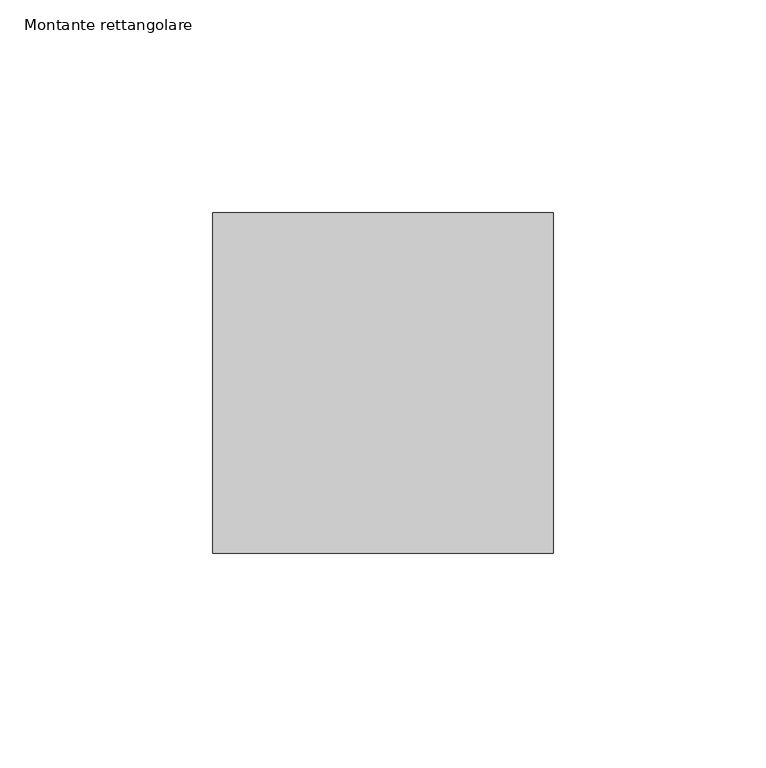
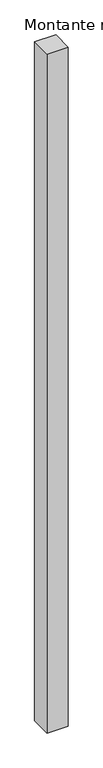
"""IFC4 building model written with IfcOpenShell, lengths in millimetres: member geometry, Montante rettangolare."""

from ifc_helpers import new_model, si_unit, frame, origin, place, context, project, spatial, polyline, outline, extrude, source, transform, mapped, element, save


def montante_rettangolare_cd4dd8f8(model_context):
    return source(origin(), model_context, "Body", "SweptSolid", [
        extrude(outline(polyline([(0.0, 40.0), (0.0, -40.0), (-80.0, -40.0), (-80.0, 40.0), (0.0, 40.0)])), frame((0.0, 0.0, -2715.0), z_axis=(0.0, 0.0, 1.0), x_axis=(1.0, 0.0, 0.0)), (0.0, 0.0, 1.0), 2715.0),
    ])


if __name__ == "__main__":
    model = new_model("IFC4")
    model_context = context("Model", 3, world=origin())
    ifc_project = project(units=[si_unit("LENGTHUNIT", "METRE", prefix="MILLI")], contexts=[model_context])
    site = spatial("IfcSite", under=ifc_project)
    building = spatial("IfcBuilding", under=site)
    placement = place(None, origin())
    montante_rettangolare_shape = montante_rettangolare_cd4dd8f8(model_context)
    element("IfcMember", 1, ObjectType="Montante rettangolare", at=placement, inside=building, context=model_context, shape_type="MappedRepresentation", body=[
        mapped(montante_rettangolare_shape, transform((0.0, 0.0, 0.0), x_axis=(1.0, 0.0, 0.0), y_axis=(0.0, 1.0, 0.0), z_axis=(0.0, 0.0, 1.0))),
    ])
    save(model, "model.ifc")
